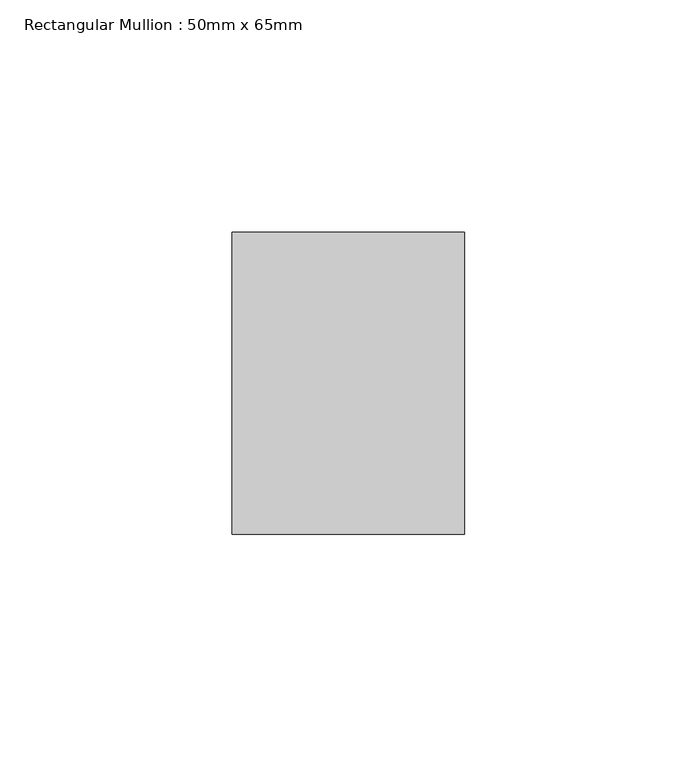
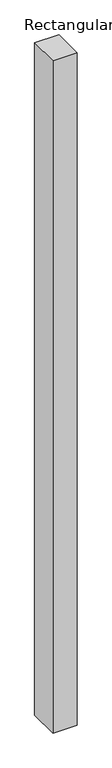
"""IFC4 building model written with IfcOpenShell, lengths in millimetres: member geometry, Rectangular Mullion : 50mm x 65mm."""

from ifc_helpers import new_model, si_unit, frame, origin, place, context, project, spatial, polyline, outline, extrude, source, transform, mapped, element, save


def rectangular_mullion_50mm_x_65mm_ef4634a8(model_context):
    return source(origin(), model_context, "Body", "SweptSolid", [
        extrude(outline(polyline([(25.0, 32.5), (25.0, -32.5), (-25.0, -32.5), (-25.0, 32.5), (25.0, 32.5)])), frame((0.0, 0.0, -1473.7165631), z_axis=(0.0, 0.0, 1.0), x_axis=(1.0, 0.0, 0.0)), (0.0, 0.0, 1.0), 1473.7165631),
    ])


if __name__ == "__main__":
    model = new_model("IFC4")
    model_context = context("Model", 3, world=origin())
    ifc_project = project(units=[si_unit("LENGTHUNIT", "METRE", prefix="MILLI")], contexts=[model_context])
    site = spatial("IfcSite", under=ifc_project)
    building = spatial("IfcBuilding", under=site)
    placement = place(None, origin())
    rectangular_mullion_50mm_x_65mm_shape = rectangular_mullion_50mm_x_65mm_ef4634a8(model_context)
    element("IfcMember", 1, ObjectType="Rectangular Mullion : 50mm x 65mm", at=placement, inside=building, context=model_context, shape_type="MappedRepresentation", body=[
        mapped(rectangular_mullion_50mm_x_65mm_shape, transform((0.0, 0.0, 0.0), x_axis=(1.0, 0.0, 0.0), y_axis=(0.0, 1.0, 0.0), z_axis=(0.0, 0.0, 1.0))),
    ])
    save(model, "model.ifc")
